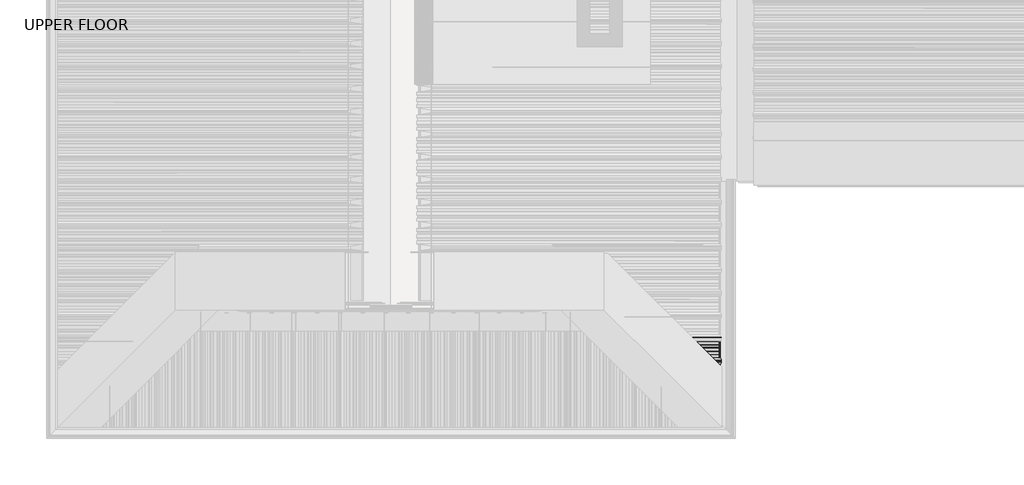
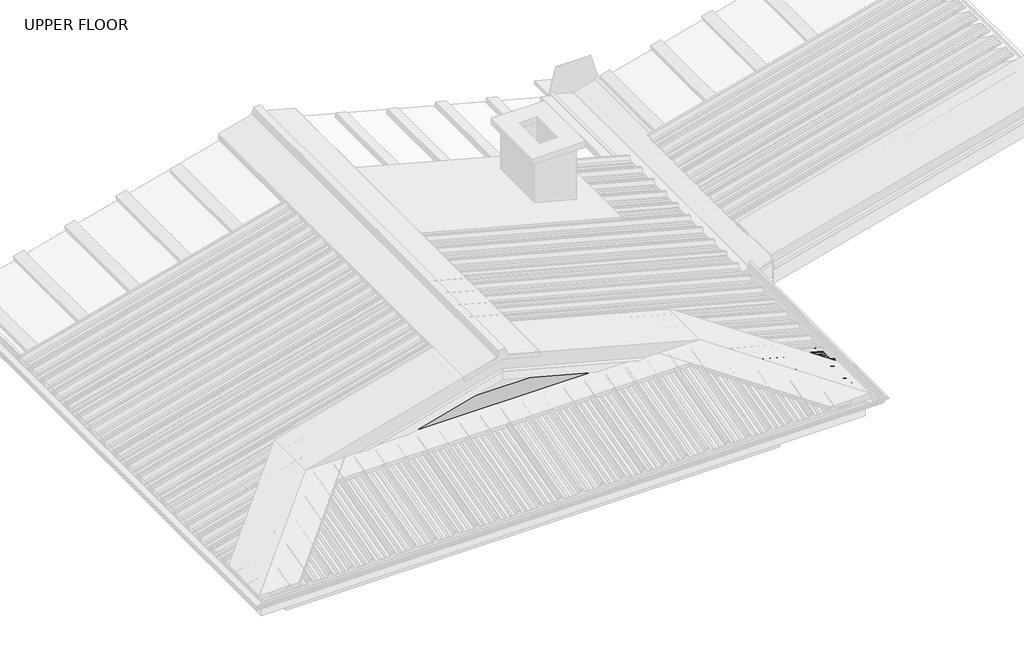
# One storey, part 12 of 21: 2 beams.
"""IFC4 building model written with IfcOpenShell, lengths in millimetres."""

from ifc_helpers import new_model, si_unit, frame, origin, place, context, project, spatial, circle_curve, ellipse_curve, faceted_brep, element, save
from ifc_brep_helpers import plane_surface, cylinder_surface, advanced_brep

model = new_model("IFC4")

# Units and contexts
model_context = context("Model", 3, world=origin())
ifc_project = project(units=[si_unit("LENGTHUNIT", "METRE", prefix="MILLI")], contexts=[model_context])

# Site, building, storey
site = spatial("IfcSite", under=ifc_project)
building = spatial("IfcBuilding", under=site)
storey = spatial("IfcBuildingStorey", under=building, Name="UPPER FLOOR", Elevation=2700.0)

# Beams
placement = place(None, origin())
element("IfcBeam", 1, at=placement, inside=storey, context=model_context, shape_type="Brep", body=[
    faceted_brep([(385.7639863, -3695.5244839, 3530.7860445), (385.7639863, -3714.3828607, 3533.101562), (385.7639863, -3713.8322813, 3537.5270863), (385.7639863, -3694.696788, 3537.5270863), (3345.7639863, -3714.3828607, 3533.101562), (3345.7639863, -3695.5244839, 3530.7860445), (3345.7639863, -3685.1043126, 3615.6515295), (3345.7639863, -3704.112819, 3615.6515295), (2987.2138489, -3692.1603495, 3711.7247493), (1035.878515, -3692.1603495, 3711.7247493), (740.7666917, -3683.0171905, 3632.6497746), (3282.3256721, -3683.0171905, 3632.6497746), (1031.6887701, -3683.0171905, 3710.6021105), (2991.4035937, -3683.0171905, 3710.6021105)], [[[0, 1, 2, 3]], [[4, 5, 6, 7]], [[1, 4, 7, 8, 9, 2]], [[1, 0, 5, 4]], [[5, 0, 3, 10, 11, 6]], [[10, 12, 13, 11]], [[12, 9, 8, 13]], [[3, 2, 9, 12, 10]], [[7, 6, 11, 13, 8]]]),
])
element("IfcBeam", 2, ObjectType="MC700", at=placement, inside=storey, context=model_context, shape_type="AdvancedBrep", body=[
    advanced_brep(
    [(4582.0763624, -4244.795044, 3263.7013822), (4582.0763624, -4217.7370223, 3263.7013822), (4582.6044119, -4213.3567046, 3265.6720894), (4582.6044119, -4196.9287133, 3265.6720894), (4582.0763624, -4193.7136691, 3263.7013822), (4582.0763624, -4171.0160316, 3263.7013822), (4590.0997528, -4152.9415216, 3293.6450828), (4590.0997528, -4142.5160332, 3293.6450828), (4590.0997528, -4132.0905447, 3293.6450828), (4582.0763624, -4114.0160347, 3263.7013822), (4582.0763624, -4091.3183972, 3263.7013822), (4582.6044119, -4088.103353, 3265.6720894), (4582.6044119, -4071.6753617, 3265.6720894), (4582.0763624, -4067.295044, 3263.7013822), (4582.0763624, -4040.2370223, 3263.7013822), (4582.6044119, -4035.8567046, 3265.6720894), (4582.6044119, -4019.4287133, 3265.6720894), (4582.0763624, -4016.2136691, 3263.7013822), (4582.0763624, -3991.200911, 3263.7013822), (4589.5821147, -3974.2924985, 3291.7132311), (4589.5821147, -3955.7395679, 3291.7132311), (4583.2981132, -3941.5834264, 3268.261018), (4583.4284771, -3940.7195405, 3268.7475428), (4589.8409338, -3955.1650563, 3292.679157), (4589.8409338, -3974.86701, 3292.679157), (4582.3351815, -3991.7754226, 3264.667308), (4582.3351815, -4015.9231546, 3264.667308), (4582.8632309, -4019.1381988, 3266.6380153), (4582.8632309, -4036.0781681, 3266.6380153), (4582.3351815, -4040.4584858, 3264.667308), (4582.3351815, -4067.0735805, 3264.667308), (4582.8632309, -4071.4538982, 3266.6380153), (4582.8632309, -4088.3938675, 3266.6380153), (4582.3351815, -4091.6089117, 3264.667308), (4582.3351815, -4113.4415232, 3264.667308), (4590.3585719, -4131.5160332, 3294.6110086), (4590.3585719, -4142.5160332, 3294.6110086), (4590.3585719, -4153.5160332, 3294.6110086), (4582.3351815, -4171.5905432, 3264.667308), (4582.3351815, -4193.4231546, 3264.667308), (4582.8632309, -4196.6381988, 3266.6380153), (4582.8632309, -4213.5781681, 3266.6380153), (4582.3351815, -4217.9584858, 3264.667308), (4582.3351815, -4244.5735805, 3264.667308), (4582.8632309, -4248.9538982, 3266.6380153), (4582.8632309, -4265.8938675, 3266.6380153), (4582.3351815, -4269.1089117, 3264.667308), (4582.3351815, -4290.9415232, 3264.667308), (4590.3585719, -4309.0160332, 3294.6110086), (4590.3585719, -4320.0160332, 3294.6110086), (4590.3585719, -4331.0160332, 3294.6110086), (4582.3351815, -4349.0905432, 3264.667308), (4582.3351815, -4370.9231546, 3264.667308), (4582.8632309, -4374.1381988, 3266.6380153), (4582.8632309, -4391.0781681, 3266.6380153), (4582.3351815, -4395.4584858, 3264.667308), (4582.3351815, -4422.0735805, 3264.667308), (4582.8632309, -4426.4538982, 3266.6380153), (4582.8632309, -4443.3938675, 3266.6380153), (4582.3351815, -4446.6089117, 3264.667308), (4582.3351815, -4468.4415232, 3264.667308), (4590.3585719, -4486.5160332, 3294.6110086), (4590.3585719, -4497.5160332, 3294.6110086), (4590.3585719, -4508.5160332, 3294.6110086), (4582.3351815, -4526.5905432, 3264.667308), (4582.3351815, -4544.1912639, 3264.667308), (4582.0763624, -4543.9324448, 3263.7013822), (4582.0763624, -4526.0160316, 3263.7013822), (4590.0997528, -4507.9415216, 3293.6450828), (4590.0997528, -4497.5160332, 3293.6450828), (4590.0997528, -4487.0905447, 3293.6450828), (4582.0763624, -4469.0160347, 3263.7013822), (4582.0763624, -4446.3183972, 3263.7013822), (4582.6044119, -4443.103353, 3265.6720894), (4582.6044119, -4426.6753617, 3265.6720894), (4582.0763624, -4422.295044, 3263.7013822), (4582.0763624, -4395.2370223, 3263.7013822), (4582.6044119, -4390.8567046, 3265.6720894), (4582.6044119, -4374.4287133, 3265.6720894), (4582.0763624, -4371.2136691, 3263.7013822), (4582.0763624, -4348.5160316, 3263.7013822), (4590.0997528, -4330.4415216, 3293.6450828), (4590.0997528, -4320.0160332, 3293.6450828), (4590.0997528, -4309.5905447, 3293.6450828), (4582.0763624, -4291.5160347, 3263.7013822), (4582.0763624, -4268.8183972, 3263.7013822), (4582.6044119, -4265.603353, 3265.6720894), (4582.6044119, -4249.1753617, 3265.6720894), (4433.3809399, -4395.2370223, 3303.5442005), (4429.0006222, -4390.8567046, 3306.8301008), (4460.4389616, -4422.295044, 3296.2940255), (4464.8192794, -4426.6753617, 3297.2325206), (4481.2472706, -4443.103353, 3292.8306536), (4484.4623148, -4446.3183972, 3289.8569874), (4507.1599523, -4469.0160347, 3283.7751737), (4525.2344623, -4487.0905447, 3311.025685), (4535.6599508, -4497.5160332, 3308.2321838), (4546.0854392, -4507.9415216, 3305.4386826), (4564.1599492, -4526.0160316, 3268.5020706), (4564.7344608, -4526.5905432, 3269.3834069), (4546.6599508, -4508.5160332, 3306.3200188), (4535.6599508, -4497.5160332, 3309.26746), (4524.6599508, -4486.5160332, 3312.2149011), (4506.5854408, -4468.4415232, 3284.9643898), (4484.7528293, -4446.6089117, 3290.8144205), (4481.5377851, -4443.3938675, 3293.7880866), (4464.5978158, -4426.4538982, 3298.3271377), (4460.2174981, -4422.0735805, 3297.3886426), (4433.6024034, -4395.4584858, 3304.5201358), (4429.2220857, -4391.0781681, 3307.8060361), (4412.2821164, -4374.1381988, 3312.3450871), (4409.0670722, -4370.9231546, 3311.0943579), (4387.2344608, -4349.0905432, 3316.9443885), (4369.1599508, -4331.0160332, 3353.8810005), (4358.1599508, -4320.0160332, 3356.8284416), (4347.1599508, -4309.0160332, 3359.7758827), (4329.0854408, -4290.9415232, 3332.5253715), (4307.2528293, -4269.1089117, 3338.3754021), (4304.0377851, -4265.8938675, 3341.3490683), (4287.0978158, -4248.9538982, 3345.8881194), (4282.7174981, -4244.5735805, 3344.9496243), (4256.1024034, -4217.9584858, 3352.0811174), (4251.7220857, -4213.5781681, 3355.3670177), (4234.7821164, -4196.6381988, 3359.9060688), (4231.5670722, -4193.4231546, 3358.6553396), (4209.7344608, -4171.5905432, 3364.5053702), (4191.6599508, -4153.5160332, 3401.4419822), (4180.6599508, -4142.5160332, 3404.3894233), (4169.6599508, -4131.5160332, 3407.3368644), (4151.5854408, -4113.4415232, 3380.0863532), (4129.7528293, -4091.6089117, 3385.9363838), (4126.5377851, -4088.3938675, 3388.91005), (4109.5978158, -4071.4538982, 3393.4491011), (4105.2174981, -4067.0735805, 3392.5106059), (4078.6024034, -4040.4584858, 3399.6420991), (4074.2220857, -4036.0781681, 3402.9279994), (4057.2821164, -4019.1381988, 3407.4670505), (4054.0670722, -4015.9231546, 3406.2163212), (4029.9193402, -3991.7754226, 3412.6866865), (4013.0109276, -3974.86701, 3447.2402913), (3993.3089739, -3955.1650563, 3452.5194139), (3978.8634581, -3940.7195405, 3430.7402514), (3979.727344, -3941.5834264, 3429.9873181), (3993.8834855, -3955.7395679, 3451.3301978), (4012.4364161, -3974.2924985, 3446.358955), (4029.3448286, -3991.200911, 3411.8053503), (4054.3575867, -4016.2136691, 3405.1032019), (4057.5726309, -4019.4287133, 3406.3539312), (4074.0006222, -4035.8567046, 3401.9520642), (4078.3809399, -4040.2370223, 3398.6661639), (4105.4389616, -4067.295044, 3391.4159888), (4109.8192794, -4071.6753617, 3392.3544839), (4126.2472706, -4088.103353, 3387.9526169), (4129.4623148, -4091.3183972, 3384.9789507), (4152.1599523, -4114.0160347, 3378.8971371), (4170.2344623, -4132.0905447, 3406.1476483), (4180.6599508, -4142.5160332, 3403.3541471), (4191.0854392, -4152.9415216, 3400.5606459), (4209.1599492, -4171.0160316, 3363.6240339), (4231.8575867, -4193.7136691, 3357.5422203), (4235.0726309, -4196.9287133, 3358.7929495), (4251.5006222, -4213.3567046, 3354.3910825), (4255.8809399, -4217.7370223, 3351.1051822), (4282.9389616, -4244.795044, 3343.8550071), (4287.3192794, -4249.1753617, 3344.7935022), (4303.7472706, -4265.603353, 3340.3916352), (4306.9623148, -4268.8183972, 3337.4179691), (4329.6599523, -4291.5160347, 3331.3361554), (4347.7344623, -4309.5905447, 3358.5866666), (4358.1599508, -4320.0160332, 3355.7931654), (4368.5854392, -4330.4415216, 3352.9996642), (4386.6599492, -4348.5160316, 3316.0630523), (4409.3575867, -4371.2136691, 3309.9812386), (4412.5726309, -4374.4287133, 3311.2319678)],
    [
        (0, 1),
        (1, 2),
        (2, 3),
        (3, 4),
        (4, 5),
        (5, 6),
        (6, 7),
        (7, 8),
        (8, 9),
        (9, 10),
        (10, 11),
        (11, 12),
        (12, 13),
        (13, 14),
        (14, 15),
        (15, 16),
        (16, 17),
        (17, 18),
        (18, 19),
        (19, 20),
        (20, 21),
        (21, 22, circle_curve(frame((4583.3632951, -3941.1514835, 3268.5042804), z_axis=(0.9659258262890682, 0.0, -0.2588190451025209), x_axis=(0.0, -1.0, 0.0)), 0.5)),
        (22, 23),
        (23, 24),
        (24, 25),
        (25, 26),
        (26, 27),
        (27, 28),
        (28, 29),
        (29, 30),
        (30, 31),
        (31, 32),
        (32, 33),
        (33, 34),
        (34, 35),
        (35, 36),
        (36, 37),
        (37, 38),
        (38, 39),
        (39, 40),
        (40, 41),
        (41, 42),
        (42, 43),
        (43, 44),
        (44, 45),
        (45, 46),
        (46, 47),
        (47, 48),
        (48, 49),
        (49, 50),
        (50, 51),
        (51, 52),
        (52, 53),
        (53, 54),
        (54, 55),
        (55, 56),
        (56, 57),
        (57, 58),
        (58, 59),
        (59, 60),
        (60, 61),
        (61, 62),
        (62, 63),
        (63, 64),
        (64, 65),
        (65, 66),
        (66, 67),
        (67, 68),
        (68, 69),
        (69, 70),
        (70, 71),
        (71, 72),
        (72, 73),
        (73, 74),
        (74, 75),
        (75, 76),
        (76, 77),
        (77, 78),
        (78, 79),
        (79, 80),
        (80, 81),
        (81, 82),
        (82, 83),
        (83, 84),
        (84, 85),
        (85, 86),
        (86, 87),
        (87, 0),
        (76, 88),
        (88, 89),
        (89, 77),
        (75, 90),
        (90, 88),
        (74, 91),
        (91, 90),
        (73, 92),
        (92, 91),
        (72, 93),
        (93, 92),
        (71, 94),
        (94, 93),
        (70, 95),
        (95, 94),
        (69, 96),
        (96, 95),
        (68, 97),
        (97, 96),
        (67, 98),
        (98, 97),
        (66, 98),
        (64, 99),
        (99, 65),
        (63, 100),
        (100, 99),
        (62, 101),
        (101, 100),
        (61, 102),
        (102, 101),
        (60, 103),
        (103, 102),
        (59, 104),
        (104, 103),
        (58, 105),
        (105, 104),
        (57, 106),
        (106, 105),
        (56, 107),
        (107, 106),
        (55, 108),
        (108, 107),
        (54, 109),
        (109, 108),
        (53, 110),
        (110, 109),
        (52, 111),
        (111, 110),
        (51, 112),
        (112, 111),
        (50, 113),
        (113, 112),
        (49, 114),
        (114, 113),
        (48, 115),
        (115, 114),
        (47, 116),
        (116, 115),
        (46, 117),
        (117, 116),
        (45, 118),
        (118, 117),
        (44, 119),
        (119, 118),
        (43, 120),
        (120, 119),
        (42, 121),
        (121, 120),
        (41, 122),
        (122, 121),
        (40, 123),
        (123, 122),
        (39, 124),
        (124, 123),
        (38, 125),
        (125, 124),
        (37, 126),
        (126, 125),
        (36, 127),
        (127, 126),
        (35, 128),
        (128, 127),
        (34, 129),
        (129, 128),
        (33, 130),
        (130, 129),
        (32, 131),
        (131, 130),
        (31, 132),
        (132, 131),
        (30, 133),
        (133, 132),
        (29, 134),
        (134, 133),
        (28, 135),
        (135, 134),
        (27, 136),
        (136, 135),
        (26, 137),
        (137, 136),
        (25, 138),
        (138, 137),
        (24, 139),
        (139, 138),
        (23, 140),
        (140, 139),
        (22, 141),
        (141, 140),
        (21, 142),
        (142, 141, ellipse_curve(frame((3979.2954011, -3941.1514835, 3430.3637848), z_axis=(0.7071067811865475, 0.7071067811865476, 0.0), x_axis=(-0.6612248329466449, 0.6612248329466449, 0.3543493200069146)), 0.7320508, 0.5)),
        (20, 143),
        (143, 142),
        (19, 144),
        (144, 143),
        (18, 145),
        (145, 144),
        (17, 146),
        (146, 145),
        (16, 147),
        (147, 146),
        (15, 148),
        (148, 147),
        (14, 149),
        (149, 148),
        (13, 150),
        (150, 149),
        (12, 151),
        (151, 150),
        (11, 152),
        (152, 151),
        (10, 153),
        (153, 152),
        (9, 154),
        (154, 153),
        (8, 155),
        (155, 154),
        (7, 156),
        (156, 155),
        (6, 157),
        (157, 156),
        (5, 158),
        (158, 157),
        (4, 159),
        (159, 158),
        (3, 160),
        (160, 159),
        (2, 161),
        (161, 160),
        (1, 162),
        (162, 161),
        (0, 163),
        (163, 162),
        (87, 164),
        (164, 163),
        (86, 165),
        (165, 164),
        (85, 166),
        (166, 165),
        (84, 167),
        (167, 166),
        (83, 168),
        (168, 167),
        (82, 169),
        (169, 168),
        (81, 170),
        (170, 169),
        (80, 171),
        (171, 170),
        (79, 172),
        (172, 171),
        (78, 173),
        (173, 172),
        (89, 173),
    ],
    [
        plane_surface(frame((4582.0763624, -4244.795044, 3263.7013822), z_axis=(0.9659258262890684, 0.0, -0.2588190451025208), x_axis=(-0.10927828227881059, 0.9064939238095149, -0.40783210162838107))),
        plane_surface(frame((3486.180752, -4390.8567046, 3559.4579237), z_axis=(-0.23461789175161576, 0.42221886042244255, -0.8756058923817275), x_axis=(0.9659258262890682, 0.0, -0.2588190451025209))),
        plane_surface(frame((3485.6527026, -4395.2370223, 3557.4872164), z_axis=(-0.2588190451025209, 0.0, -0.9659258262890682), x_axis=(0.9659258262890682, 0.0, -0.2588190451025209))),
        plane_surface(frame((3485.6527026, -4422.295044, 3557.4872164), z_axis=(-0.234617891751617, -0.422218860422444, -0.8756058923817263), x_axis=(0.9659258262890682, 0.0, -0.2588190451025209))),
        plane_surface(frame((3486.180752, -4426.6753617, 3559.4579237), z_axis=(-0.2588190451025209, 0.0, -0.9659258262890682), x_axis=(0.9659258262890682, 0.0, -0.2588190451025209))),
        plane_surface(frame((3486.180752, -4443.103353, 3559.4579237), z_axis=(-0.2185313076918759, 0.5358075541289585, -0.8155699433505514), x_axis=(0.9659258262890682, 0.0, -0.2588190451025209))),
        plane_surface(frame((3485.6527026, -4446.3183972, 3557.4872164), z_axis=(-0.2588190451025209, 0.0, -0.9659258262890682), x_axis=(0.9659258262890682, 0.0, -0.2588190451025209))),
        plane_surface(frame((3485.6527026, -4469.0160347, 3557.4872164), z_axis=(-0.13036393274178823, -0.863885897621789, -0.48652482046683926), x_axis=(0.9659258262890682, 0.0, -0.2588190451025209))),
        plane_surface(frame((3493.676093, -4487.0905447, 3587.430917), z_axis=(-0.2588190451025209, 0.0, -0.9659258262890682), x_axis=(0.9659258262890682, 0.0, -0.2588190451025209))),
        plane_surface(frame((3493.676093, -4497.5160332, 3587.430917), z_axis=(-0.2588190451025209, 0.0, -0.9659258262890682), x_axis=(0.9659258262890682, 0.0, -0.2588190451025209))),
        plane_surface(frame((3493.676093, -4507.9415216, 3587.430917), z_axis=(-0.13036393274178304, 0.863885897621794, -0.4865248204668319), x_axis=(0.9659258262890682, 0.0, -0.2588190451025209))),
        plane_surface(frame((3485.6527026, -4526.0160316, 3557.4872164), z_axis=(-0.2588190451025209, 0.0, -0.9659258262890682), x_axis=(0.9659258262890682, 0.0, -0.2588190451025209))),
        plane_surface(frame((3485.9115217, -4548.4231546, 3558.4531422), z_axis=(0.2588190451025209, 0.0, 0.9659258262890682), x_axis=(0.9659258262890682, 0.0, -0.2588190451025209))),
        plane_surface(frame((3485.9115217, -4526.5905432, 3558.4531422), z_axis=(0.130363932741783, -0.8638858976217941, 0.4865248204668318), x_axis=(0.9659258262890682, 0.0, -0.2588190451025209))),
        plane_surface(frame((3493.9349121, -4508.5160332, 3588.3968428), z_axis=(0.2588190451025209, 0.0, 0.9659258262890682), x_axis=(0.9659258262890682, 0.0, -0.2588190451025209))),
        plane_surface(frame((3493.9349121, -4497.5160332, 3588.3968428), z_axis=(0.2588190451025209, 0.0, 0.9659258262890682), x_axis=(0.9659258262890682, 0.0, -0.2588190451025209))),
        plane_surface(frame((3493.9349121, -4486.5160332, 3588.3968428), z_axis=(0.13036393274178748, 0.8638858976217907, 0.4865248204668365), x_axis=(0.9659258262890682, 0.0, -0.2588190451025209))),
        plane_surface(frame((3485.9115217, -4468.4415232, 3558.4531422), z_axis=(0.2588190451025209, 0.0, 0.9659258262890682), x_axis=(0.9659258262890682, 0.0, -0.2588190451025209))),
        plane_surface(frame((3485.9115217, -4446.6089117, 3558.4531422), z_axis=(0.2185313076918759, -0.5358075541289585, 0.8155699433505514), x_axis=(0.9659258262890682, 0.0, -0.2588190451025209))),
        plane_surface(frame((3486.4395711, -4443.3938675, 3560.4238495), z_axis=(0.2588190451025209, 0.0, 0.9659258262890682), x_axis=(0.9659258262890682, 0.0, -0.2588190451025209))),
        plane_surface(frame((3486.4395711, -4426.4538982, 3560.4238495), z_axis=(0.23461789175161574, 0.42221886042245477, 0.8756058923817214), x_axis=(0.9659258262890682, 0.0, -0.2588190451025209))),
        plane_surface(frame((3485.9115217, -4422.0735805, 3558.4531422), z_axis=(0.2588190451025209, 0.0, 0.9659258262890682), x_axis=(0.9659258262890682, 0.0, -0.2588190451025209))),
        plane_surface(frame((3485.9115217, -4395.4584858, 3558.4531422), z_axis=(0.23461789175161607, -0.42221886042244006, 0.8756058923817285), x_axis=(0.9659258262890682, 0.0, -0.2588190451025209))),
        plane_surface(frame((3486.4395711, -4391.0781681, 3560.4238495), z_axis=(0.2588190451025209, 0.0, 0.9659258262890682), x_axis=(0.9659258262890682, 0.0, -0.2588190451025209))),
        plane_surface(frame((3486.4395711, -4374.1381988, 3560.4238495), z_axis=(0.21853130769187515, 0.5358075541289745, 0.8155699433505413), x_axis=(0.9659258262890682, 0.0, -0.2588190451025209))),
        plane_surface(frame((3485.9115217, -4370.9231546, 3558.4531422), z_axis=(0.2588190451025209, 0.0, 0.9659258262890682), x_axis=(0.9659258262890682, 0.0, -0.2588190451025209))),
        plane_surface(frame((3485.9115217, -4349.0905432, 3558.4531422), z_axis=(0.13036393274178484, -0.8638858976217901, 0.48652482046683854), x_axis=(0.9659258262890682, 0.0, -0.2588190451025209))),
        plane_surface(frame((3493.9349121, -4331.0160332, 3588.3968428), z_axis=(0.2588190451025209, 0.0, 0.9659258262890682), x_axis=(0.9659258262890682, 0.0, -0.2588190451025209))),
        plane_surface(frame((3493.9349121, -4320.0160332, 3588.3968428), z_axis=(0.2588190451025209, 0.0, 0.9659258262890682), x_axis=(0.9659258262890682, 0.0, -0.2588190451025209))),
        plane_surface(frame((3493.9349121, -4309.0160332, 3588.3968428), z_axis=(0.1303639327417893, 0.8638858976217868, 0.48652482046684337), x_axis=(0.9659258262890682, 0.0, -0.2588190451025209))),
        plane_surface(frame((3485.9115217, -4290.9415232, 3558.4531422), z_axis=(0.2588190451025209, 0.0, 0.9659258262890682), x_axis=(0.9659258262890682, 0.0, -0.2588190451025209))),
        plane_surface(frame((3485.9115217, -4269.1089117, 3558.4531422), z_axis=(0.21853130769187656, -0.5358075541289545, 0.8155699433505539), x_axis=(0.9659258262890682, 0.0, -0.2588190451025209))),
        plane_surface(frame((3486.4395711, -4265.8938675, 3560.4238495), z_axis=(0.2588190451025209, 0.0, 0.9659258262890682), x_axis=(0.9659258262890682, 0.0, -0.2588190451025209))),
        plane_surface(frame((3486.4395711, -4248.9538982, 3560.4238495), z_axis=(0.2346178917516167, 0.4222188604224467, 0.875605892381725), x_axis=(0.9659258262890682, 0.0, -0.2588190451025209))),
        plane_surface(frame((3485.9115217, -4244.5735805, 3558.4531422), z_axis=(0.2588190451025209, 0.0, 0.9659258262890682), x_axis=(0.9659258262890682, 0.0, -0.2588190451025209))),
        plane_surface(frame((3485.9115217, -4217.9584858, 3558.4531422), z_axis=(0.23461789175161513, -0.4222188604224478, 0.8756058923817249), x_axis=(0.9659258262890682, 0.0, -0.2588190451025209))),
        plane_surface(frame((3486.4395711, -4213.5781681, 3560.4238495), z_axis=(0.2588190451025209, 0.0, 0.9659258262890682), x_axis=(0.9659258262890682, 0.0, -0.2588190451025209))),
        plane_surface(frame((3486.4395711, -4196.6381988, 3560.4238495), z_axis=(0.2185313076918775, 0.5358075541289601, 0.8155699433505501), x_axis=(0.9659258262890682, 0.0, -0.2588190451025209))),
        plane_surface(frame((3485.9115217, -4193.4231546, 3558.4531422), z_axis=(0.2588190451025209, 0.0, 0.9659258262890682), x_axis=(0.9659258262890682, 0.0, -0.2588190451025209))),
        plane_surface(frame((3485.9115217, -4171.5905432, 3558.4531422), z_axis=(0.1303639327417845, -0.8638858976217908, 0.48652482046683737), x_axis=(0.9659258262890682, 0.0, -0.2588190451025209))),
        plane_surface(frame((3493.9349121, -4153.5160332, 3588.3968428), z_axis=(0.2588190451025209, 0.0, 0.9659258262890682), x_axis=(0.9659258262890682, 0.0, -0.2588190451025209))),
        plane_surface(frame((3493.9349121, -4142.5160332, 3588.3968428), z_axis=(0.2588190451025209, 0.0, 0.9659258262890682), x_axis=(0.9659258262890682, 0.0, -0.2588190451025209))),
        plane_surface(frame((3493.9349121, -4131.5160332, 3588.3968428), z_axis=(0.1303639327417893, 0.8638858976217868, 0.48652482046684337), x_axis=(0.9659258262890682, 0.0, -0.2588190451025209))),
        plane_surface(frame((3485.9115217, -4113.4415232, 3558.4531422), z_axis=(0.2588190451025209, 0.0, 0.9659258262890682), x_axis=(0.9659258262890682, 0.0, -0.2588190451025209))),
        plane_surface(frame((3485.9115217, -4091.6089117, 3558.4531422), z_axis=(0.21853130769187656, -0.5358075541289545, 0.8155699433505539), x_axis=(0.9659258262890682, 0.0, -0.2588190451025209))),
        plane_surface(frame((3486.4395711, -4088.3938675, 3560.4238495), z_axis=(0.2588190451025209, 0.0, 0.9659258262890682), x_axis=(0.9659258262890682, 0.0, -0.2588190451025209))),
        plane_surface(frame((3486.4395711, -4071.4538982, 3560.4238495), z_axis=(0.23461789175161638, 0.4222188604224494, 0.8756058923817239), x_axis=(0.9659258262890682, 0.0, -0.2588190451025209))),
        plane_surface(frame((3485.9115217, -4067.0735805, 3558.4531422), z_axis=(0.2588190451025209, 0.0, 0.9659258262890682), x_axis=(0.9659258262890682, 0.0, -0.2588190451025209))),
        plane_surface(frame((3485.9115217, -4040.4584858, 3558.4531422), z_axis=(0.23461789175161543, -0.42221886042244516, 0.8756058923817261), x_axis=(0.9659258262890682, 0.0, -0.2588190451025209))),
        plane_surface(frame((3486.4395711, -4036.0781681, 3560.4238495), z_axis=(0.2588190451025209, 0.0, 0.9659258262890682), x_axis=(0.9659258262890682, 0.0, -0.2588190451025209))),
        plane_surface(frame((3486.4395711, -4019.1381988, 3560.4238495), z_axis=(0.21853130769187817, 0.535807554128956, 0.8155699433505526), x_axis=(0.9659258262890682, 0.0, -0.2588190451025209))),
        plane_surface(frame((3485.9115217, -4015.9231546, 3558.4531422), z_axis=(0.2588190451025209, 0.0, 0.9659258262890682), x_axis=(0.9659258262890682, 0.0, -0.2588190451025209))),
        plane_surface(frame((3485.9115217, -3991.7754226, 3558.4531422), z_axis=(0.13036393274178462, -0.8638858976217905, 0.4865248204668378), x_axis=(0.9659258262890682, 0.0, -0.2588190451025209))),
        plane_surface(frame((3493.417274, -3974.86701, 3586.4649912), z_axis=(0.2588190451025209, 0.0, 0.9659258262890682), x_axis=(0.9659258262890682, 0.0, -0.2588190451025209))),
        plane_surface(frame((3493.417274, -3955.1650563, 3586.4649912), z_axis=(0.13036393274178573, 0.8638858976217948, 0.48652482046682993), x_axis=(0.9659258262890682, 0.0, -0.2588190451025209))),
        cylinder_surface(frame((4583.3632951, -3941.1514835, 3268.5042804), z_axis=(-0.9659258262890682, 0.0, 0.2588190451025209), x_axis=(0.0, -1.0, 0.0)), 0.5),
        plane_surface(frame((3486.8744533, -3941.5834264, 3562.0468522), z_axis=(-0.13036393274179314, -0.8638858976217778, -0.48652482046685763), x_axis=(0.9659258262890682, 0.0, -0.2588190451025209))),
        plane_surface(frame((3493.1584549, -3955.7395679, 3585.4990653), z_axis=(-0.2588190451025209, 0.0, -0.9659258262890682), x_axis=(0.9659258262890682, 0.0, -0.2588190451025209))),
        plane_surface(frame((3493.1584549, -3974.2924985, 3585.4990653), z_axis=(-0.13036393274178462, 0.8638858976217905, -0.4865248204668378), x_axis=(0.9659258262890682, 0.0, -0.2588190451025209))),
        plane_surface(frame((3485.6527026, -3991.200911, 3557.4872164), z_axis=(-0.2588190451025209, 0.0, -0.9659258262890682), x_axis=(0.9659258262890682, 0.0, -0.2588190451025209))),
        plane_surface(frame((3485.6527026, -4016.2136691, 3557.4872164), z_axis=(-0.21853130769187817, -0.535807554128956, -0.8155699433505526), x_axis=(0.9659258262890682, 0.0, -0.2588190451025209))),
        plane_surface(frame((3486.180752, -4019.4287133, 3559.4579237), z_axis=(-0.2588190451025209, 0.0, -0.9659258262890682), x_axis=(0.9659258262890682, 0.0, -0.2588190451025209))),
        plane_surface(frame((3486.180752, -4035.8567046, 3559.4579237), z_axis=(-0.23461789175161543, 0.42221886042244516, -0.8756058923817261), x_axis=(0.9659258262890682, 0.0, -0.2588190451025209))),
        plane_surface(frame((3485.6527026, -4040.2370223, 3557.4872164), z_axis=(-0.2588190451025209, 0.0, -0.9659258262890682), x_axis=(0.9659258262890682, 0.0, -0.2588190451025209))),
        plane_surface(frame((3485.6527026, -4067.295044, 3557.4872164), z_axis=(-0.23461789175161674, -0.4222188604224467, -0.875605892381725), x_axis=(0.9659258262890682, 0.0, -0.2588190451025209))),
        plane_surface(frame((3486.180752, -4071.6753617, 3559.4579237), z_axis=(-0.2588190451025209, 0.0, -0.9659258262890682), x_axis=(0.9659258262890682, 0.0, -0.2588190451025209))),
        plane_surface(frame((3486.180752, -4088.103353, 3559.4579237), z_axis=(-0.21853130769187587, 0.5358075541289585, -0.8155699433505514), x_axis=(0.9659258262890682, 0.0, -0.2588190451025209))),
        plane_surface(frame((3485.6527026, -4091.3183972, 3557.4872164), z_axis=(-0.2588190451025209, 0.0, -0.9659258262890682), x_axis=(0.9659258262890682, 0.0, -0.2588190451025209))),
        plane_surface(frame((3485.6527026, -4114.0160347, 3557.4872164), z_axis=(-0.1303639327417875, -0.8638858976217907, -0.4865248204668365), x_axis=(0.9659258262890682, 0.0, -0.2588190451025209))),
        plane_surface(frame((3493.676093, -4132.0905447, 3587.430917), z_axis=(-0.2588190451025209, 0.0, -0.9659258262890682), x_axis=(0.9659258262890682, 0.0, -0.2588190451025209))),
        plane_surface(frame((3493.676093, -4142.5160332, 3587.430917), z_axis=(-0.2588190451025209, 0.0, -0.9659258262890682), x_axis=(0.9659258262890682, 0.0, -0.2588190451025209))),
        plane_surface(frame((3493.676093, -4152.9415216, 3587.430917), z_axis=(-0.13036393274178304, 0.863885897621794, -0.4865248204668319), x_axis=(0.9659258262890682, 0.0, -0.2588190451025209))),
        plane_surface(frame((3485.6527026, -4171.0160316, 3557.4872164), z_axis=(-0.2588190451025209, 0.0, -0.9659258262890682), x_axis=(0.9659258262890682, 0.0, -0.2588190451025209))),
        plane_surface(frame((3485.6527026, -4193.7136691, 3557.4872164), z_axis=(-0.21853130769187884, -0.535807554128952, -0.815569943350555), x_axis=(0.9659258262890682, 0.0, -0.2588190451025209))),
        plane_surface(frame((3486.180752, -4196.9287133, 3559.4579237), z_axis=(-0.2588190451025209, 0.0, -0.9659258262890682), x_axis=(0.9659258262890682, 0.0, -0.2588190451025209))),
        plane_surface(frame((3486.180752, -4213.3567046, 3559.4579237), z_axis=(-0.23461789175161576, 0.42221886042244255, -0.8756058923817275), x_axis=(0.9659258262890682, 0.0, -0.2588190451025209))),
        plane_surface(frame((3485.6527026, -4217.7370223, 3557.4872164), z_axis=(-0.2588190451025209, 0.0, -0.9659258262890682), x_axis=(0.9659258262890682, 0.0, -0.2588190451025209))),
        plane_surface(frame((3485.6527026, -4244.795044, 3557.4872164), z_axis=(-0.2346178917516167, -0.4222188604224467, -0.875605892381725), x_axis=(0.9659258262890682, 0.0, -0.2588190451025209))),
        plane_surface(frame((3486.180752, -4249.1753617, 3559.4579237), z_axis=(-0.2588190451025209, 0.0, -0.9659258262890682), x_axis=(0.9659258262890682, 0.0, -0.2588190451025209))),
        plane_surface(frame((3486.180752, -4265.603353, 3559.4579237), z_axis=(-0.2185313076918759, 0.5358075541289585, -0.8155699433505514), x_axis=(0.9659258262890682, 0.0, -0.2588190451025209))),
        plane_surface(frame((3485.6527026, -4268.8183972, 3557.4872164), z_axis=(-0.2588190451025209, 0.0, -0.9659258262890682), x_axis=(0.9659258262890682, 0.0, -0.2588190451025209))),
        plane_surface(frame((3485.6527026, -4291.5160347, 3557.4872164), z_axis=(-0.13036393274178748, -0.8638858976217907, -0.4865248204668365), x_axis=(0.9659258262890682, 0.0, -0.2588190451025209))),
        plane_surface(frame((3493.676093, -4309.5905447, 3587.430917), z_axis=(-0.2588190451025209, 0.0, -0.9659258262890682), x_axis=(0.9659258262890682, 0.0, -0.2588190451025209))),
        plane_surface(frame((3493.676093, -4320.0160332, 3587.430917), z_axis=(-0.2588190451025209, 0.0, -0.9659258262890682), x_axis=(0.9659258262890682, 0.0, -0.2588190451025209))),
        plane_surface(frame((3493.676093, -4330.4415216, 3587.430917), z_axis=(-0.130363932741783, 0.8638858976217941, -0.4865248204668318), x_axis=(0.9659258262890682, 0.0, -0.2588190451025209))),
        plane_surface(frame((3485.6527026, -4348.5160316, 3557.4872164), z_axis=(-0.2588190451025209, 0.0, -0.9659258262890682), x_axis=(0.9659258262890682, 0.0, -0.2588190451025209))),
        plane_surface(frame((3485.6527026, -4371.2136691, 3557.4872164), z_axis=(-0.2185313076918783, -0.5358075541289552, -0.8155699433505531), x_axis=(0.9659258262890682, 0.0, -0.2588190451025209))),
        plane_surface(frame((3486.180752, -4374.4287133, 3559.4579237), z_axis=(-0.2588190451025209, 0.0, -0.9659258262890682), x_axis=(0.9659258262890682, 0.0, -0.2588190451025209))),
        plane_surface(frame((2270.178728, -2232.0348104, 4276.036793), z_axis=(-0.7071067811865475, -0.7071067811865476, 0.0), x_axis=(0.0, 0.0, -1.0))),
    ],
    [
        (0, [[1, 2, 3, 4, 5, 6, 7, 8, 9, 10, 11, 12, 13, 14, 15, 16, 17, 18, 19, 20, 21, 22, 23, 24, 25, 26, 27, 28, 29, 30, 31, 32, 33, 34, 35, 36, 37, 38, 39, 40, 41, 42, 43, 44, 45, 46, 47, 48, 49, 50, 51, 52, 53, 54, 55, 56, 57, 58, 59, 60, 61, 62, 63, 64, 65, 66, 67, 68, 69, 70, 71, 72, 73, 74, 75, 76, 77, 78, 79, 80, 81, 82, 83, 84, 85, 86, 87, 88]]),
        (1, [[-77, 89, 90, 91]]),
        (2, [[-76, 92, 93, -89]]),
        (3, [[-75, 94, 95, -92]]),
        (4, [[-74, 96, 97, -94]]),
        (5, [[-73, 98, 99, -96]]),
        (6, [[-72, 100, 101, -98]]),
        (7, [[-71, 102, 103, -100]]),
        (8, [[-70, 104, 105, -102]]),
        (9, [[-69, 106, 107, -104]]),
        (10, [[-68, 108, 109, -106]]),
        (11, [[-67, 110, -108]]),
        (12, [[-65, 111, 112]]),
        (13, [[-64, 113, 114, -111]]),
        (14, [[-63, 115, 116, -113]]),
        (15, [[-62, 117, 118, -115]]),
        (16, [[-61, 119, 120, -117]]),
        (17, [[-60, 121, 122, -119]]),
        (18, [[-59, 123, 124, -121]]),
        (19, [[-58, 125, 126, -123]]),
        (20, [[-57, 127, 128, -125]]),
        (21, [[-56, 129, 130, -127]]),
        (22, [[-55, 131, 132, -129]]),
        (23, [[-54, 133, 134, -131]]),
        (24, [[-53, 135, 136, -133]]),
        (25, [[-52, 137, 138, -135]]),
        (26, [[-51, 139, 140, -137]]),
        (27, [[-50, 141, 142, -139]]),
        (28, [[-49, 143, 144, -141]]),
        (29, [[-48, 145, 146, -143]]),
        (30, [[-47, 147, 148, -145]]),
        (31, [[-46, 149, 150, -147]]),
        (32, [[-45, 151, 152, -149]]),
        (33, [[-44, 153, 154, -151]]),
        (34, [[-43, 155, 156, -153]]),
        (35, [[-42, 157, 158, -155]]),
        (36, [[-41, 159, 160, -157]]),
        (37, [[-40, 161, 162, -159]]),
        (38, [[-39, 163, 164, -161]]),
        (39, [[-38, 165, 166, -163]]),
        (40, [[-37, 167, 168, -165]]),
        (41, [[-36, 169, 170, -167]]),
        (42, [[-35, 171, 172, -169]]),
        (43, [[-34, 173, 174, -171]]),
        (44, [[-33, 175, 176, -173]]),
        (45, [[-32, 177, 178, -175]]),
        (46, [[-31, 179, 180, -177]]),
        (47, [[-30, 181, 182, -179]]),
        (48, [[-29, 183, 184, -181]]),
        (49, [[-28, 185, 186, -183]]),
        (50, [[-27, 187, 188, -185]]),
        (51, [[-26, 189, 190, -187]]),
        (52, [[-25, 191, 192, -189]]),
        (53, [[-24, 193, 194, -191]]),
        (54, [[-23, 195, 196, -193]]),
        (55, [[-22, 197, 198, -195]]),
        (56, [[-21, 199, 200, -197]]),
        (57, [[-20, 201, 202, -199]]),
        (58, [[-19, 203, 204, -201]]),
        (59, [[-18, 205, 206, -203]]),
        (60, [[-17, 207, 208, -205]]),
        (61, [[-16, 209, 210, -207]]),
        (62, [[-15, 211, 212, -209]]),
        (63, [[-14, 213, 214, -211]]),
        (64, [[-13, 215, 216, -213]]),
        (65, [[-12, 217, 218, -215]]),
        (66, [[-11, 219, 220, -217]]),
        (67, [[-10, 221, 222, -219]]),
        (68, [[-9, 223, 224, -221]]),
        (69, [[-8, 225, 226, -223]]),
        (70, [[-7, 227, 228, -225]]),
        (71, [[-6, 229, 230, -227]]),
        (72, [[-5, 231, 232, -229]]),
        (73, [[-4, 233, 234, -231]]),
        (74, [[-3, 235, 236, -233]]),
        (75, [[-2, 237, 238, -235]]),
        (76, [[-1, 239, 240, -237]]),
        (77, [[-88, 241, 242, -239]]),
        (78, [[-87, 243, 244, -241]]),
        (79, [[-86, 245, 246, -243]]),
        (80, [[-85, 247, 248, -245]]),
        (81, [[-84, 249, 250, -247]]),
        (82, [[-83, 251, 252, -249]]),
        (83, [[-82, 253, 254, -251]]),
        (84, [[-81, 255, 256, -253]]),
        (85, [[-80, 257, 258, -255]]),
        (86, [[-79, 259, 260, -257]]),
        (87, [[-78, -91, 261, -259]]),
        (88, [[-66, -112, -114, -116, -118, -120, -122, -124, -126, -128, -130, -132, -134, -136, -138, -140, -142, -144, -146, -148, -150, -152, -154, -156, -158, -160, -162, -164, -166, -168, -170, -172, -174, -176, -178, -180, -182, -184, -186, -188, -190, -192, -194, -196, -198, -200, -202, -204, -206, -208, -210, -212, -214, -216, -218, -220, -222, -224, -226, -228, -230, -232, -234, -236, -238, -240, -242, -244, -246, -248, -250, -252, -254, -256, -258, -260, -261, -90, -93, -95, -97, -99, -101, -103, -105, -107, -109, -110]]),
    ],
),
])

save(model, "model.ifc")
